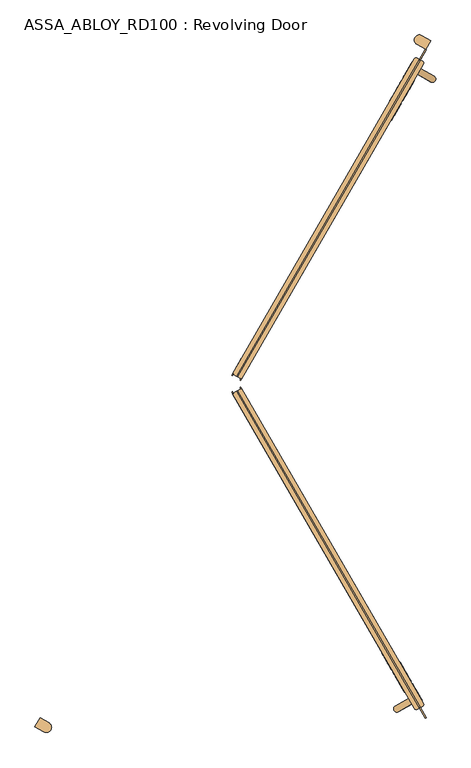
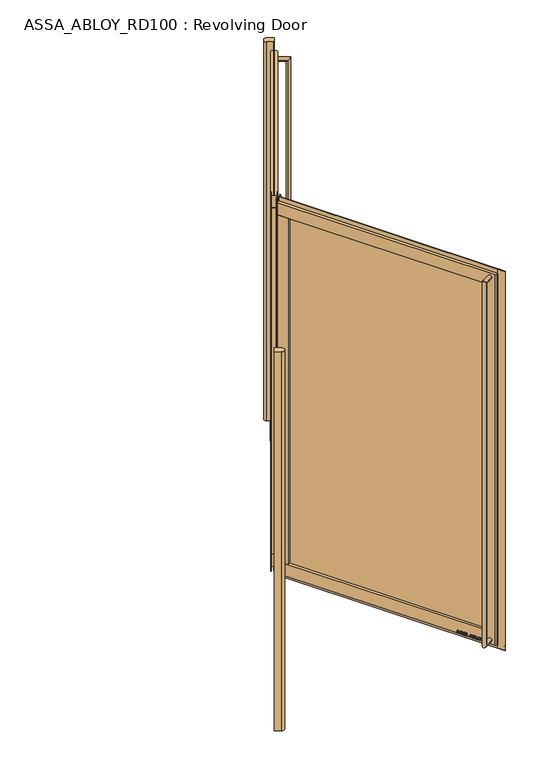
"""IFC4 building model written with IfcOpenShell, lengths in millimetres: door geometry, ASSA_ABLOY_RD100 : Revolving Door."""

from ifc_helpers import new_model, si_unit, point, frame, frame_2d, origin, origin_with_axes, origin_2d, place, context, project, spatial, polyline, circle_curve, ellipse_curve, trimmed, segment, composite_curve, outline, extrude, source, transform, mapped, element, save
from ifc_brep_helpers import plane_surface, cylinder_surface, advanced_brep


def assa_abloy_rd100_revolving_door_8107e352(model_context):
    return source(origin(), model_context, "Body", "SolidModel", [
        advanced_brep(
        [(-0.7310583, -38.7337699, 28.0), (33.9099578, -18.7337699, 28.0), (740.4099578, -1242.4276654, 28.0), (737.4817546, -1253.3558687, 28.0), (716.6971449, -1265.3558687, 28.0), (705.7689417, -1262.4276654, 28.0), (-0.7310583, -38.7337699, 110.0), (668.7689417, -1198.3417855, 110.0), (703.4099578, -1178.3417855, 110.0), (33.9099578, -18.7337699, 110.0), (33.9099578, -18.7337699, 2489.0), (-0.7310583, -38.7337699, 2489.0), (-0.7310583, -38.7337699, 2571.0), (33.9099578, -18.7337699, 2571.0), (703.4099578, -1178.3417855, 2489.0), (668.7689417, -1198.3417855, 2489.0), (737.4817546, -1253.3558687, 2571.0), (716.6971449, -1265.3558687, 2571.0), (705.7689417, -1262.4276654, 2571.0), (740.4099578, -1242.4276654, 2571.0)],
        [
            (0, 1),
            (1, 2),
            (2, 3, circle_curve(frame((733.4817546, -1246.4276654, 28.0), z_axis=(0.0, 0.0, -1.0), x_axis=(-0.8660254037844365, -0.5000000000000038, 0.0)), 8.0)),
            (3, 4),
            (4, 5, circle_curve(frame((712.6971449, -1258.4276654, 28.0), z_axis=(0.0, 0.0, -1.0), x_axis=(-0.8660254037844365, -0.5000000000000038, 0.0)), 8.0)),
            (5, 0),
            (6, 7),
            (7, 8),
            (8, 9),
            (9, 6),
            (10, 11),
            (11, 12),
            (12, 13),
            (13, 10),
            (10, 14),
            (14, 15),
            (15, 11),
            (7, 15),
            (14, 8),
            (16, 17),
            (17, 4),
            (3, 16),
            (17, 18, circle_curve(frame((712.6971449, -1258.4276654, 2571.0), z_axis=(0.0, 0.0, -1.0), x_axis=(-0.8660254037844365, -0.5000000000000038, 0.0)), 8.0)),
            (18, 5),
            (19, 16, circle_curve(frame((733.4817546, -1246.4276654, 2571.0), z_axis=(0.0, 0.0, -1.0), x_axis=(-0.8660254037844365, -0.5000000000000038, 0.0)), 8.0)),
            (2, 19),
            (6, 0),
            (18, 12),
            (1, 9),
            (13, 19),
        ],
        [
            plane_surface(frame((668.7689417, -1198.3417855, 28.0), z_axis=(0.0, 0.0, -1.0), x_axis=(-0.5000000000000038, 0.8660254037844365, 0.0))),
            plane_surface(frame((703.4099578, -1178.3417855, 110.0), z_axis=(0.0, 0.0, 1.0), x_axis=(-0.5000000000000038, 0.8660254037844365, 0.0))),
            plane_surface(frame((16.5894498, -28.7337699, 2571.0), z_axis=(-0.5000000000000038, 0.8660254037844365, 0.0), x_axis=(-0.8660254037844365, -0.5000000000000038, 0.0))),
            plane_surface(frame((33.9099578, -18.7337699, 2489.0), z_axis=(0.0, 0.0, -1.0), x_axis=(0.5000000000000038, -0.8660254037844365, 0.0))),
            plane_surface(frame((703.4099578, -1178.3417855, 2571.0), z_axis=(-0.5000000000000038, 0.8660254037844365, 0.0), x_axis=(0.0, 0.0, -1.0))),
            plane_surface(frame((716.6971449, -1265.3558687, 2571.0), z_axis=(0.5000000000000038, -0.8660254037844365, 0.0), x_axis=(0.0, 0.0, -1.0))),
            cylinder_surface(frame((712.6971449, -1258.4276654, 2571.0), z_axis=(0.0, 0.0, 1.0), x_axis=(-0.8660254037844365, -0.5000000000000038, 0.0)), 8.0),
            cylinder_surface(frame((733.4817546, -1246.4276654, 2571.0), z_axis=(0.0, 0.0, 1.0), x_axis=(-0.8660254037844365, -0.5000000000000038, 0.0)), 8.0),
            plane_surface(frame((668.7689417, -1198.3417855, 110.0), z_axis=(-0.8660254037844365, -0.5000000000000038, 0.0), x_axis=(-0.5000000000000038, 0.8660254037844365, 0.0))),
            plane_surface(frame((703.4099578, -1178.3417855, 28.0), z_axis=(0.8660254037844365, 0.5000000000000038, 0.0), x_axis=(-0.5000000000000038, 0.8660254037844365, 0.0))),
            plane_surface(frame((16.5894498, -28.7337699, 28.0), z_axis=(-0.5000000000000038, 0.8660254037844365, 0.0), x_axis=(-0.8660254037844365, -0.5000000000000038, 0.0))),
            plane_surface(frame((727.0894498, -1259.3558687, 2571.0), z_axis=(0.0, 0.0, 1.0), x_axis=(-0.8660254037844365, -0.5000000000000038, 0.0))),
        ],
        [
            (0, [[1, 2, 3, 4, 5, 6]]),
            (1, [[7, 8, 9, 10]]),
            (2, [[11, 12, 13, 14]]),
            (3, [[-11, 15, 16, 17]]),
            (4, [[-8, 18, -16, 19]]),
            (5, [[20, 21, -4, 22]]),
            (6, [[23, 24, -5, -21]]),
            (7, [[25, -22, -3, 26]]),
            (8, [[-7, 27, -6, -24, 28, -12, -17, -18]]),
            (9, [[29, -9, -19, -15, -14, 30, -26, -2]]),
            (10, [[-27, -10, -29, -1]]),
            (11, [[-28, -23, -20, -25, -30, -13]]),
        ],
    ),
        extrude(outline(polyline([(31.3118816, -20.2337699), (27.8118816, -14.1715921), (30.4099578, -12.6715921), (33.9099578, -18.7337699), (31.3118816, -20.2337699)])), origin_with_axes(), (0.0, 0.0, 1.0), 2600.0),
        extrude(outline(polyline([(68.9099578, -79.3555481), (34.2689417, -99.3555481), (-0.7310583, -38.7337699), (33.9099578, -18.7337699), (68.9099578, -79.3555481)])), frame((0.0, 0.0, 110.0), z_axis=(0.0, 0.0, 1.0), x_axis=(1.0, 0.0, 0.0)), (0.0, 0.0, 1.0), 2379.0),
        extrude(outline(polyline([(748.5739083, -1300.0680355), (725.5739083, -1260.2308669), (728.6049912, -1258.4808704), (751.6049912, -1298.318039), (748.5739083, -1300.0680355)])), origin_with_axes(), (0.0, 0.0, 1.0), 2600.0),
        extrude(outline(polyline([(748.5739083, -1300.0680355), (15.0739083, -29.6087681), (18.1049912, -27.8587716), (751.6049912, -1298.318039), (748.5739083, -1300.0680355)])), frame((0.0, 0.0, 2570.0), z_axis=(0.0, 0.0, 1.0), x_axis=(1.0, 0.0, 0.0)), (0.0, 0.0, 1.0), 30.0),
        extrude(outline(polyline([(-1.6329821, -31.1715921), (1.8670179, -37.2337699), (-0.7310583, -38.7337699), (-4.2310583, -32.6715921), (-1.6329821, -31.1715921)])), origin_with_axes(), (0.0, 0.0, 1.0), 2600.0),
        extrude(outline(polyline([(684.5739083, -1189.2167838), (50.0739083, -90.2305464), (53.1049912, -88.4805499), (687.6049912, -1187.4667873), (684.5739083, -1189.2167838)])), frame((0.0, 0.0, 110.0), z_axis=(0.0, 0.0, 1.0), x_axis=(1.0, 0.0, 0.0)), (0.0, 0.0, 1.0), 2379.0),
        extrude(outline(polyline([(748.5739083, -1300.0680355), (15.0739083, -29.6087681), (18.1049912, -27.8587716), (751.6049912, -1298.318039), (748.5739083, -1300.0680355)])), frame((0.0, 0.0, -2.0), z_axis=(0.0, 0.0, 1.0), x_axis=(1.0, 0.0, 0.0)), (0.0, 0.0, 1.0), 30.0),
        extrude(outline(polyline([(21.1919362, 0.0), (20.214336, -2.6529929), (14.2348715, -2.5853723), (11.2716326, -10.6269535), (15.8652681, -14.4554102), (14.8894584, -17.1035441), (-1.2354289, -3.3526834), (0.0, 0.0), (21.1919362, 0.0)]), holes=[polyline([(11.7626281, -2.5849674), (1.6611384, -2.5160752), (9.3848751, -9.0376682), (11.7626281, -2.5849674)])]), frame((728.7940369, -1222.3083001, 47.8848654), z_axis=(0.8660254037844429, 0.49999999999999256, 0.0), x_axis=(-0.17288098849125152, 0.29943865572958395, -0.9383222555567717)), (0.0, 0.0, 1.0), 2.0),
        extrude(outline(polyline([(3.5121291, 0.0), (5.4926863, -1.2764387), (6.787432, -3.3659463), (7.2092232, -6.1919012), (6.5093631, -9.6341389), (4.8247981, -13.2083906), (2.5145629, -16.157079), (-0.6567352, -15.0446471), (2.4447823, -12.1320668), (4.3562345, -8.76362), (4.8029446, -4.7524081), (2.9863484, -2.6252692), (0.9295188, -2.6144293), (-0.6628891, -4.2207408), (-1.8238571, -6.2006452), (-3.0893834, -8.4786224), (-6.2388815, -11.6844271), (-9.9996043, -11.7673438), (-13.1300796, -8.3561656), (-12.7977466, -2.5981571), (-11.0920114, 1.0208017), (-9.0699596, 3.7111349), (-6.0403681, 2.648411), (-8.71119, 0.0484616), (-10.6514742, -3.4882218), (-11.0208469, -7.16163), (-9.3614355, -9.1814982), (-7.3063201, -9.1972245), (-5.5118807, -7.3434952), (-4.250422, -5.1162244), (-2.8187321, -2.6852579), (0.0, 0.0), (3.5121291, 0.0)])), frame((716.9291416, -1201.7576986, 36.999973), z_axis=(0.866025403784443, 0.49999999999999256, 0.0), x_axis=(-0.16550355081008364, 0.2866605588361278, -0.9436282629706536)), (0.0, 0.0, 1.0), 2.0),
        extrude(outline(polyline([(3.5121291, 0.0), (5.4926863, -1.2764387), (6.787432, -3.3659463), (7.2092232, -6.1919012), (6.5093631, -9.6341389), (4.8247981, -13.2083906), (2.5145629, -16.157079), (-0.6567352, -15.0446471), (2.4447823, -12.1320668), (4.3562345, -8.7636201), (4.8029446, -4.7524081), (2.9863484, -2.6252692), (0.9295188, -2.6144293), (-0.6628891, -4.2207408), (-1.8238571, -6.2006452), (-3.0893834, -8.4786224), (-6.2388816, -11.6844271), (-9.9996043, -11.7673438), (-13.1300796, -8.3561656), (-12.7977466, -2.5981571), (-11.0920114, 1.0208017), (-9.0699596, 3.7111349), (-6.0403681, 2.648411), (-8.71119, 0.0484616), (-10.6514742, -3.4882218), (-11.0208469, -7.16163), (-9.3614355, -9.1814983), (-7.3063201, -9.1972245), (-5.5118807, -7.3434952), (-4.250422, -5.1162244), (-2.8187321, -2.6852579), (0.0, 0.0), (3.5121291, 0.0)])), frame((707.4838305, -1185.3979399, 36.999973), z_axis=(0.866025403784443, 0.49999999999999256, 0.0), x_axis=(-0.16550355081008364, 0.2866605588361278, -0.9436282629706536)), (0.0, 0.0, 1.0), 2.0),
        extrude(outline(polyline([(21.1919362, 0.0), (20.214336, -2.6529929), (14.2348715, -2.5853724), (11.2716326, -10.6269535), (15.8652681, -14.4554102), (14.8894584, -17.1035442), (-1.2354289, -3.3526834), (0.0, 0.0), (21.1919362, 0.0)]), holes=[polyline([(11.7626281, -2.5849675), (1.6611384, -2.5160752), (9.3848751, -9.0376682), (11.7626281, -2.5849675)])]), frame((700.4581036, -1173.229024, 47.8848654), z_axis=(0.8660254037844429, 0.49999999999999256, 0.0), x_axis=(-0.17288098849125152, 0.29943865572958395, -0.9383222555567717)), (0.0, 0.0, 1.0), 2.0),
        extrude(outline(polyline([(21.1919362, 0.0), (20.214336, -2.6529929), (14.2348715, -2.5853723), (11.2716326, -10.6269535), (15.8652681, -14.4554102), (14.8894584, -17.1035441), (-1.2354289, -3.3526834), (0.0, 0.0), (21.1919362, 0.0)]), holes=[polyline([(11.7626281, -2.5849674), (1.6611384, -2.5160752), (9.3848751, -9.0376682), (11.7626281, -2.5849674)])]), frame((686.2072834, -1148.5458793, 47.8848654), z_axis=(0.8660254037844429, 0.49999999999999256, 0.0), x_axis=(-0.17288098849125152, 0.29943865572958395, -0.9383222555567717)), (0.0, 0.0, 1.0), 2.0),
        extrude(outline(polyline([(3.6247797, 0.0), (5.9232413, -1.3859292), (7.2049821, -3.4426962), (7.5842828, -6.2202288), (6.8194358, -9.6251298), (4.5055294, -16.4081519), (-14.3144162, -9.9880648), (-12.3716711, -4.2930708), (-11.1479955, -1.1951534), (-9.8352433, 0.5920774), (-7.9241126, 1.6554025), (-5.7320771, 1.441087), (-3.7068838, -0.0321766), (-2.8147562, -2.4211002), (0.0, 0.0), (3.6247797, 0.0)]), holes=[polyline([(-5.2214253, -2.9241786), (-9.3653605, -2.9303687), (-10.1960736, -5.1008933), (-11.2627443, -8.2277488), (-5.9304264, -10.0467735), (-4.7734732, -6.6552624), (-5.2214253, -2.9241786)]), polyline([(2.8765907, -2.5461078), (0.9746905, -2.291247), (-0.5832315, -3.1932875), (-1.5099769, -4.5787396), (-2.3470909, -6.7279308), (-3.734766, -10.7957837), (3.1658807, -13.1498156), (4.3362091, -9.7190963), (5.1175975, -6.8751817), (5.1102534, -4.8838351), (4.3679308, -3.4351117), (2.8765907, -2.5461078)])]), frame((674.0148574, -1127.4279781, 37.561824), z_axis=(0.866025403784443, 0.49999999999999256, 0.0), x_axis=(-0.16143149534182683, 0.2796075518738682, -0.9464457138403681)), (0.0, 0.0, 1.0), 2.0),
        extrude(outline(polyline([(2.319901, 0.0), (2.319901, -12.5937481), (-17.5649644, -12.5937481), (-17.5649644, -9.9424327), (0.0, -9.9424327), (0.0, 0.0), (2.319901, 0.0)])), frame((665.3100504, -1112.3508101, 30.319901), z_axis=(0.866025403784443, 0.4999999999999925, 0.0), x_axis=(0.0, 0.0, -1.0)), (0.0, 0.0, 1.0), 2.0),
        extrude(outline(polyline([(3.4755123, 1e-07), (6.8343334, -1.6217536), (9.8417791, -4.8358203), (11.7934802, -8.7947163), (12.1283677, -12.475947), (10.9175762, -15.7640054), (8.2007387, -18.4707048), (4.7147757, -20.0502835), (1.2097864, -20.0486711), (-2.1257687, -18.4422905), (-5.1361656, -15.2239687), (-7.0812776, -11.3109182), (-7.4345587, -7.5668217), (-6.1998493, -4.2905332), (-3.5095376, -1.5864763), (0.0, 0.0), (3.4755123, 1e-07)]), holes=[polyline([(7.6631689, -6.3468237), (2.8864763, -2.494471), (-2.1788994, -3.4868578), (-4.8960977, -7.8921765), (-2.9575554, -13.7129653), (1.8513938, -17.5618518), (6.887121, -16.5585186), (9.5892894, -12.1951337), (7.6631689, -6.3468237)])]), frame((658.0331735, -1099.7468897, 47.5197917), z_axis=(0.866025403784443, 0.4999999999999925, 0.0), x_axis=(-0.41085457557085214, 0.711620999410877, -0.5699070721880538)), (0.0, 0.0, 1.0), 2.0),
        extrude(outline(polyline([(3.1691504, 0.0), (-4.1219669, -11.1645234), (-4.1219669, -19.8848654), (-6.7732823, -19.8848654), (-6.7732823, -11.4441543), (-14.0643996, 0.0), (-10.921141, 0.0), (-5.4320895, -8.8964059), (0.0, 0.0), (3.1691504, 0.0)])), frame((647.5068818, -1081.5148176, 47.8848654), z_axis=(0.866025403784443, 0.4999999999999925, 0.0), x_axis=(-0.4999999999999925, 0.866025403784443, 0.0)), (0.0, 0.0, 1.0), 2.0),
        extrude(outline(polyline([(-21.1919362, 0.0), (0.0, 0.0), (1.2354289, -3.3526833), (-14.8894584, -17.103544), (-15.8652682, -14.4554101), (-11.2716326, -10.6269535), (-14.2348715, -2.5853723), (-20.214336, -2.6529929), (-21.1919362, 0.0)]), holes=[polyline([(-11.7626281, -2.5849674), (-9.3848751, -9.0376682), (-1.6611384, -2.5160752), (-11.7626281, -2.5849674)])]), frame((584.3308678, -1056.0907515, 47.8848654), z_axis=(0.8660254037844398, 0.4999999999999981, 0.0), x_axis=(-0.17288098849125347, 0.2994386557295829, 0.9383222555567716)), (0.0, 0.0, 1.0), 2.0),
        extrude(outline(polyline([(-3.5121291, 0.0), (0.0, 0.0), (2.818732, -2.6852579), (4.250422, -5.1162244), (5.5118807, -7.3434952), (7.3063201, -9.1972245), (9.3614355, -9.1814982), (11.0208469, -7.16163), (10.6514742, -3.4882218), (8.71119, 0.0484616), (6.0403681, 2.6484111), (9.0699595, 3.711135), (11.0920114, 1.0208017), (12.7977466, -2.5981571), (13.1300796, -8.3561656), (9.9996043, -11.7673438), (6.2388815, -11.684427), (3.0893834, -8.4786223), (1.8238571, -6.2006452), (0.6628891, -4.2207408), (-0.9295188, -2.6144293), (-2.9863484, -2.6252692), (-4.8029446, -4.7524081), (-4.3562346, -8.7636199), (-2.4447823, -12.1320668), (0.6567352, -15.0446471), (-2.5145629, -16.157079), (-4.8247981, -13.2083906), (-6.5093631, -9.6341389), (-7.2092232, -6.1919011), (-6.787432, -3.3659463), (-5.4926863, -1.2764387), (-3.5121291, 0.0)])), frame((596.1957631, -1076.641353, 36.999973), z_axis=(0.8660254037844398, 0.49999999999999806, 0.0), x_axis=(-0.16550355081008547, 0.28666055883612673, 0.9436282629706536)), (0.0, 0.0, 1.0), 2.0),
        extrude(outline(polyline([(-3.5121291, 0.0), (0.0, 0.0), (2.8187321, -2.6852579), (4.250422, -5.1162244), (5.5118807, -7.3434952), (7.3063201, -9.1972245), (9.3614355, -9.1814982), (11.0208469, -7.16163), (10.6514742, -3.4882218), (8.71119, 0.0484616), (6.0403681, 2.6484111), (9.0699595, 3.711135), (11.0920114, 1.0208017), (12.7977466, -2.5981571), (13.1300796, -8.3561656), (9.9996043, -11.7673438), (6.2388815, -11.684427), (3.0893834, -8.4786223), (1.8238571, -6.2006452), (0.6628891, -4.2207408), (-0.9295188, -2.6144293), (-2.9863484, -2.6252692), (-4.8029446, -4.7524081), (-4.3562346, -8.76362), (-2.4447823, -12.1320668), (0.6567352, -15.0446471), (-2.5145629, -16.157079), (-4.8247981, -13.2083906), (-6.5093631, -9.6341389), (-7.2092232, -6.1919011), (-6.787432, -3.3659463), (-5.4926863, -1.2764387), (-3.5121291, 0.0)])), frame((605.6410742, -1093.0011117, 36.999973), z_axis=(0.8660254037844398, 0.49999999999999806, 0.0), x_axis=(-0.16550355081008547, 0.28666055883612673, 0.9436282629706536)), (0.0, 0.0, 1.0), 2.0),
        extrude(outline(polyline([(-21.1919362, 0.0), (0.0, 0.0), (1.2354289, -3.3526833), (-14.8894584, -17.1035441), (-15.8652682, -14.4554101), (-11.2716326, -10.6269535), (-14.2348715, -2.5853724), (-20.214336, -2.6529929), (-21.1919362, 0.0)]), holes=[polyline([(-11.7626281, -2.5849675), (-9.3848751, -9.0376682), (-1.6611384, -2.5160752), (-11.7626281, -2.5849675)])]), frame((612.6668011, -1105.1700276, 47.8848654), z_axis=(0.8660254037844398, 0.4999999999999981, 0.0), x_axis=(-0.17288098849125347, 0.2994386557295829, 0.9383222555567716)), (0.0, 0.0, 1.0), 2.0),
        extrude(outline(polyline([(-21.1919362, 0.0), (0.0, 0.0), (1.2354289, -3.3526833), (-14.8894584, -17.103544), (-15.8652682, -14.4554101), (-11.2716326, -10.6269535), (-14.2348715, -2.5853723), (-20.214336, -2.6529929), (-21.1919362, 0.0)]), holes=[polyline([(-11.7626281, -2.5849674), (-9.3848751, -9.0376682), (-1.6611384, -2.5160752), (-11.7626281, -2.5849674)])]), frame((626.9176213, -1129.8531723, 47.8848654), z_axis=(0.8660254037844398, 0.4999999999999981, 0.0), x_axis=(-0.17288098849125347, 0.2994386557295829, 0.9383222555567716)), (0.0, 0.0, 1.0), 2.0),
        extrude(outline(polyline([(-3.6247797, -1e-07), (0.0, 0.0), (2.8147562, -2.4211002), (3.7068839, -0.0321766), (5.7320771, 1.441087), (7.9241126, 1.6554025), (9.8352433, 0.5920774), (11.1479956, -1.1951535), (12.3716711, -4.2930708), (14.3144162, -9.9880649), (-4.5055294, -16.408152), (-6.8194358, -9.6251298), (-7.5842828, -6.2202288), (-7.204982, -3.4426963), (-5.9232413, -1.3859292), (-3.6247797, -1e-07)]), holes=[polyline([(5.2214253, -2.9241787), (4.7734732, -6.6552625), (5.9304264, -10.0467736), (11.2627443, -8.2277489), (10.1960736, -5.1008933), (9.3653605, -2.9303688), (5.2214253, -2.9241787)]), polyline([(-2.8765906, -2.5461079), (-4.3679308, -3.4351118), (-5.1102533, -4.8838352), (-5.1175974, -6.8751818), (-4.3362091, -9.7190964), (-3.1658807, -13.1498157), (3.7347661, -10.7957837), (2.347091, -6.7279309), (1.5099769, -4.5787397), (0.5832315, -3.1932876), (-0.9746905, -2.291247), (-2.8765906, -2.5461079)])]), frame((639.1100473, -1150.9710736, 37.561824), z_axis=(0.8660254037844397, 0.499999999999998, 0.0), x_axis=(-0.16143149534182863, 0.27960755187386716, 0.9464457138403681)), (0.0, 0.0, 1.0), 2.0),
        extrude(outline(polyline([(-2.319901, 0.0), (0.0, 0.0), (0.0, -9.9424327), (17.5649644, -9.9424327), (17.5649644, -12.5937481), (-2.319901, -12.5937481), (-2.319901, 0.0)])), frame((647.8148543, -1166.0482415, 30.319901), z_axis=(0.8660254037844398, 0.4999999999999981, 0.0), x_axis=(0.0, 0.0, 1.0)), (0.0, 0.0, 1.0), 2.0),
        extrude(outline(polyline([(-3.4755122, 0.0), (0.0, 0.0), (3.5095377, -1.5864764), (6.1998493, -4.2905332), (7.4345588, -7.5668217), (7.0812776, -11.3109182), (5.1361655, -15.2239686), (2.1257687, -18.4422905), (-1.2097864, -20.0486711), (-4.7147757, -20.0502836), (-8.2007386, -18.4707048), (-10.9175762, -15.7640054), (-12.1283676, -12.475947), (-11.7934802, -8.7947164), (-9.8417791, -4.8358203), (-6.8343334, -1.6217536), (-3.4755122, 0.0)]), holes=[polyline([(-7.6631689, -6.3468237), (-9.5892893, -12.1951337), (-6.8871209, -16.5585186), (-1.8513938, -17.5618518), (2.9575554, -13.7129653), (4.8960978, -7.8921765), (2.1788995, -3.4868579), (-2.8864763, -2.494471), (-7.6631689, -6.3468237)])]), frame((655.0917312, -1178.652162, 47.5197917), z_axis=(0.8660254037844397, 0.4999999999999981, 0.0), x_axis=(-0.41085457557085936, 0.7116209994108789, 0.5699070721880464)), (0.0, 0.0, 1.0), 2.0),
        extrude(outline(polyline([(-3.1691504, 0.0), (0.0, 0.0), (5.4320896, -8.8964059), (10.921141, 0.0), (14.0643996, 0.0), (6.7732824, -11.4441543), (6.7732824, -19.8848654), (4.121967, -19.8848654), (4.121967, -11.1645234), (-3.1691504, 0.0)])), frame((665.6180229, -1196.8842341, 47.8848654), z_axis=(0.8660254037844398, 0.4999999999999981, 0.0), x_axis=(-0.4999999999999981, 0.8660254037844398, 0.0)), (0.0, 0.0, 1.0), 2.0),
        advanced_brep(
        [(683.0189417, -1223.0235096, 2544.5), (695.5189417, -1244.6741447, 2544.5), (631.0574175, -1253.0235096, 2544.5), (643.5574175, -1274.6741447, 2544.5), (631.0574175, -1253.0235096, 55.0), (643.5574175, -1274.6741447, 55.0), (683.0189417, -1223.0235096, 55.0), (695.5189417, -1244.6741447, 55.0)],
        [
            (0, 1, circle_curve(frame((689.2689417, -1233.8488271, 2544.5), z_axis=(0.8660254037844365, 0.5000000000000038, 0.0), x_axis=(0.5000000000000038, -0.8660254037844365, 0.0)), 12.5)),
            (1, 0, circle_curve(frame((689.2689417, -1233.8488271, 2544.5), z_axis=(0.8660254037844365, 0.5000000000000038, 0.0), x_axis=(0.5000000000000038, -0.8660254037844365, 0.0)), 12.5)),
            (0, 2),
            (2, 3, ellipse_curve(frame((637.3074175, -1263.8488271, 2544.5), z_axis=(0.6123724356957935, 0.3535533905932754, 0.7071067811865475), x_axis=(0.6123724356957926, 0.3535533905932775, -0.7071067811865474)), 17.6776695, 12.5)),
            (3, 1),
            (3, 2, ellipse_curve(frame((637.3074175, -1263.8488271, 2544.5), z_axis=(0.6123724356957935, 0.3535533905932754, 0.7071067811865475), x_axis=(0.6123724356957926, 0.3535533905932775, -0.7071067811865474)), 17.6776695, 12.5)),
            (2, 4),
            (4, 5, ellipse_curve(frame((637.3074175, -1263.8488271, 55.0), z_axis=(-0.6123724356957924, -0.3535533905932774, 0.7071067811865475), x_axis=(0.6123724356957934, 0.3535533905932753, 0.7071067811865476)), 17.6776695, 12.5)),
            (5, 3),
            (5, 4, ellipse_curve(frame((637.3074175, -1263.8488271, 55.0), z_axis=(-0.6123724356957924, -0.3535533905932774, 0.7071067811865475), x_axis=(0.6123724356957934, 0.3535533905932753, 0.7071067811865476)), 17.6776695, 12.5)),
            (6, 7, circle_curve(frame((689.2689417, -1233.8488271, 55.0), z_axis=(0.8660254037844365, 0.5000000000000038, 0.0), x_axis=(0.5000000000000038, -0.8660254037844365, 0.0)), 12.5)),
            (7, 6, circle_curve(frame((689.2689417, -1233.8488271, 55.0), z_axis=(0.8660254037844365, 0.5000000000000038, 0.0), x_axis=(0.5000000000000038, -0.8660254037844365, 0.0)), 12.5)),
            (4, 6),
            (7, 5),
        ],
        [
            plane_surface(frame((689.2689417, -1233.8488271, 2544.5), z_axis=(0.8660254037844365, 0.5000000000000038, 0.0), x_axis=(0.5000000000000038, -0.8660254037844365, 0.0))),
            cylinder_surface(frame((689.2689417, -1233.8488271, 2544.5), z_axis=(0.8660254037844365, 0.5000000000000038, 0.0), x_axis=(0.5000000000000038, -0.8660254037844365, 0.0)), 12.5),
            cylinder_surface(frame((637.3074175, -1263.8488271, 2544.5), z_axis=(0.0, 0.0, 1.0), x_axis=(0.5000000000000038, -0.8660254037844365, 0.0)), 12.5),
            plane_surface(frame((689.2689417, -1233.8488271, 55.0), z_axis=(0.8660254037844365, 0.5000000000000038, 0.0), x_axis=(0.5000000000000038, -0.8660254037844365, 0.0))),
            cylinder_surface(frame((637.3074175, -1263.8488271, 55.0), z_axis=(-0.8660254037844365, -0.5000000000000038, 0.0), x_axis=(0.5000000000000038, -0.8660254037844365, 0.0)), 12.5),
        ],
        [
            (0, [[1, 2]]),
            (1, [[-1, 3, 4, 5]]),
            (1, [[-2, -5, 6, -3]]),
            (2, [[-4, 7, 8, 9]]),
            (2, [[-6, -9, 10, -7]]),
            (3, [[11, 12]]),
            (4, [[-8, 13, -12, 14]]),
            (4, [[-10, -14, -11, -13]]),
        ],
    ),
        extrude(outline(composite_curve([segment(trimmed(circle_curve(origin_2d(), 1500.0), [point((-750.0, -1299.0381057))], [point((-715.0922698, -1318.5761433))], True, "CARTESIAN"), True, "CONTINUOUS"), segment(trimmed(circle_curve(frame_2d((-725.5459259, -1335.642735)), 20.0136823), [point((-715.0922698, -1318.5761433))], [point((-735.0991998, -1353.2291626))], False, "CARTESIAN"), True, "CONTINUOUS"), segment(trimmed(circle_curve(origin_2d(), 1540.0), [point((-735.0991998, -1353.2291626))], [point((-770.0, -1333.6791218))], False, "CARTESIAN"), True, "CONTINUOUS"), segment(polyline([(-770.0, -1333.6791218), (-750.0, -1299.0381057)]), True, "CONTINUOUS")], self_intersect=False)), origin_with_axes(), (0.0, 0.0, 1.0), 2600.0),
        extrude(outline(composite_curve([segment(trimmed(circle_curve(origin_2d(), 1500.0), [point((750.0, 1299.0381057))], [point((715.0922698, 1318.5761433))], True, "CARTESIAN"), True, "CONTINUOUS"), segment(trimmed(circle_curve(frame_2d((725.5459259, 1335.642735)), 20.0136823), [point((715.0922698, 1318.5761433))], [point((735.0991998, 1353.2291626))], False, "CARTESIAN"), True, "CONTINUOUS"), segment(trimmed(circle_curve(origin_2d(), 1540.0), [point((735.0991998, 1353.2291626))], [point((770.0, 1333.6791218))], False, "CARTESIAN"), True, "CONTINUOUS"), segment(polyline([(770.0, 1333.6791218), (750.0, 1299.0381057)]), True, "CONTINUOUS")], self_intersect=False)), origin_with_axes(), (0.0, 0.0, 1.0), 2600.0),
        advanced_brep(
        [(33.8205081, 18.5788383, 28.0), (-0.8205081, 38.5788383, 28.0), (705.6794919, 1262.2727339, 28.0), (716.6076952, 1265.2009371, 28.0), (737.3923048, 1253.2009371, 28.0), (740.3205081, 1242.2727339, 28.0), (33.8205081, 18.5788383, 110.0), (703.3205081, 1178.186854, 110.0), (668.6794919, 1198.186854, 110.0), (-0.8205081, 38.5788383, 110.0), (-0.8205081, 38.5788383, 2489.0), (33.8205081, 18.5788383, 2489.0), (33.8205081, 18.5788383, 2571.0), (-0.8205081, 38.5788383, 2571.0), (668.6794919, 1198.186854, 2489.0), (703.3205081, 1178.186854, 2489.0), (716.6076952, 1265.2009371, 2571.0), (737.3923048, 1253.2009371, 2571.0), (740.3205081, 1242.2727339, 2571.0), (705.6794919, 1262.2727339, 2571.0)],
        [
            (0, 1),
            (1, 2),
            (2, 3, circle_curve(frame((712.6076952, 1258.2727339, 28.0), z_axis=(0.0, 0.0, -1.0), x_axis=(0.8660254037844427, -0.4999999999999929, 0.0)), 8.0)),
            (3, 4),
            (4, 5, circle_curve(frame((733.3923048, 1246.2727339, 28.0), z_axis=(0.0, 0.0, -1.0), x_axis=(0.8660254037844427, -0.4999999999999929, 0.0)), 8.0)),
            (5, 0),
            (6, 7),
            (7, 8),
            (8, 9),
            (9, 6),
            (10, 11),
            (11, 12),
            (12, 13),
            (13, 10),
            (10, 14),
            (14, 15),
            (15, 11),
            (7, 15),
            (14, 8),
            (16, 17),
            (17, 4),
            (3, 16),
            (17, 18, circle_curve(frame((733.3923048, 1246.2727339, 2571.0), z_axis=(0.0, 0.0, -1.0), x_axis=(0.8660254037844427, -0.4999999999999929, 0.0)), 8.0)),
            (18, 5),
            (19, 16, circle_curve(frame((712.6076952, 1258.2727339, 2571.0), z_axis=(0.0, 0.0, -1.0), x_axis=(0.8660254037844427, -0.4999999999999929, 0.0)), 8.0)),
            (2, 19),
            (6, 0),
            (18, 12),
            (1, 9),
            (13, 19),
        ],
        [
            plane_surface(frame((703.3205081, 1178.186854, 28.0), z_axis=(0.0, 0.0, -1.0000000000000002), x_axis=(-0.49999999999999295, -0.8660254037844428, 0.0))),
            plane_surface(frame((668.6794919, 1198.186854, 110.0), z_axis=(0.0, 0.0, 1.0000000000000002), x_axis=(-0.49999999999999295, -0.8660254037844428, 0.0))),
            plane_surface(frame((16.5, 28.5788383, 2571.0), z_axis=(-0.49999999999999295, -0.8660254037844428, 0.0), x_axis=(0.8660254037844428, -0.49999999999999295, 0.0))),
            plane_surface(frame((-0.8205081, 38.5788383, 2489.0), z_axis=(0.0, 0.0, -1.0000000000000002), x_axis=(0.49999999999999295, 0.8660254037844428, 0.0))),
            plane_surface(frame((668.6794919, 1198.186854, 2571.0), z_axis=(-0.49999999999999295, -0.8660254037844428, 0.0), x_axis=(0.0, 0.0, -1.0))),
            plane_surface(frame((737.3923048, 1253.2009371, 2571.0), z_axis=(0.49999999999999295, 0.8660254037844428, 0.0), x_axis=(0.0, 0.0, -1.0))),
            cylinder_surface(frame((733.3923048, 1246.2727339, 2571.0), z_axis=(0.0, 0.0, 1.0), x_axis=(0.8660254037844427, -0.4999999999999929, 0.0)), 8.0),
            cylinder_surface(frame((712.6076952, 1258.2727339, 2571.0), z_axis=(0.0, 0.0, 1.0), x_axis=(0.8660254037844427, -0.4999999999999929, 0.0)), 8.0),
            plane_surface(frame((703.3205081, 1178.186854, 110.0), z_axis=(0.8660254037844428, -0.49999999999999295, 0.0), x_axis=(-0.49999999999999295, -0.8660254037844428, 0.0))),
            plane_surface(frame((668.6794919, 1198.186854, 28.0), z_axis=(-0.8660254037844428, 0.49999999999999295, 0.0), x_axis=(-0.49999999999999295, -0.8660254037844428, 0.0))),
            plane_surface(frame((16.5, 28.5788383, 28.0), z_axis=(-0.49999999999999295, -0.8660254037844428, 0.0), x_axis=(0.8660254037844428, -0.49999999999999295, 0.0))),
            plane_surface(frame((727.0, 1259.2009371, 2571.0), z_axis=(0.0, 0.0, 1.0000000000000002), x_axis=(0.8660254037844428, -0.49999999999999295, 0.0))),
        ],
        [
            (0, [[1, 2, 3, 4, 5, 6]]),
            (1, [[7, 8, 9, 10]]),
            (2, [[11, 12, 13, 14]]),
            (3, [[-11, 15, 16, 17]]),
            (4, [[-8, 18, -16, 19]]),
            (5, [[20, 21, -4, 22]]),
            (6, [[23, 24, -5, -21]]),
            (7, [[25, -22, -3, 26]]),
            (8, [[-7, 27, -6, -24, 28, -12, -17, -18]]),
            (9, [[29, -9, -19, -15, -14, 30, -26, -2]]),
            (10, [[-27, -10, -29, -1]]),
            (11, [[-28, -23, -20, -25, -30, -13]]),
        ],
    ),
        extrude(outline(polyline([(1.7775681, 37.0788383), (-1.7224319, 31.0166605), (-4.3205081, 32.5166605), (-0.8205081, 38.5788383), (1.7775681, 37.0788383)])), origin_with_axes(), (0.0, 0.0, 1.0), 2600.0),
        extrude(outline(polyline([(34.1794919, 99.2006166), (68.8205081, 79.2006166), (33.8205081, 18.5788383), (-0.8205081, 38.5788383), (34.1794919, 99.2006166)])), frame((0.0, 0.0, 110.0), z_axis=(0.0, 0.0, 1.0), x_axis=(1.0, 0.0, 0.0)), (0.0, 0.0, 1.0), 2379.0),
        extrude(outline(polyline([(751.5155414, 1298.1631074), (728.5155414, 1258.3259389), (725.4844586, 1260.0759354), (748.4844586, 1299.9131039), (751.5155414, 1298.1631074)])), origin_with_axes(), (0.0, 0.0, 1.0), 2600.0),
        extrude(outline(polyline([(751.5155414, 1298.1631074), (18.0155414, 27.7038401), (14.9844586, 29.4538366), (748.4844586, 1299.9131039), (751.5155414, 1298.1631074)])), frame((0.0, 0.0, 2570.0), z_axis=(0.0, 0.0, 1.0), x_axis=(1.0, 0.0, 0.0)), (0.0, 0.0, 1.0), 30.0),
        extrude(outline(polyline([(27.7224319, 14.0166605), (31.2224319, 20.0788383), (33.8205081, 18.5788383), (30.3205081, 12.5166605), (27.7224319, 14.0166605)])), origin_with_axes(), (0.0, 0.0, 1.0), 2600.0),
        extrude(outline(polyline([(687.5155414, 1187.3118557), (53.0155414, 88.3256183), (49.9844586, 90.0756148), (684.4844586, 1189.0618522), (687.5155414, 1187.3118557)])), frame((0.0, 0.0, 110.0), z_axis=(0.0, 0.0, 1.0), x_axis=(1.0, 0.0, 0.0)), (0.0, 0.0, 1.0), 2379.0),
        extrude(outline(polyline([(751.5155414, 1298.1631074), (18.0155414, 27.7038401), (14.9844586, 29.4538366), (748.4844586, 1299.9131039), (751.5155414, 1298.1631074)])), frame((0.0, 0.0, -2.0), z_axis=(0.0, 0.0, 1.0), x_axis=(1.0, 0.0, 0.0)), (0.0, 0.0, 1.0), 30.0),
        extrude(outline(polyline([(21.1919363, 1e-07), (20.214336, -2.6529929), (14.2348715, -2.5853724), (11.2716326, -10.6269535), (15.8652682, -14.4554101), (14.8894584, -17.1035441), (-1.2354289, -3.3526833), (0.0, 0.0), (21.1919363, 1e-07)]), holes=[polyline([(11.7626281, -2.5849674), (1.6611384, -2.5160752), (9.3848751, -9.0376682), (11.7626281, -2.5849674)])]), frame((694.0635709, 1242.1533686, 47.8848654), z_axis=(-0.8660254037844363, 0.5000000000000041, 0.0), x_axis=(-0.17288098849125552, -0.2994386557295816, -0.9383222555567717)), (0.0, 0.0, 1.0), 2.0),
        extrude(outline(polyline([(3.5121291, 0.0), (5.4926863, -1.2764387), (6.787432, -3.3659463), (7.2092232, -6.1919012), (6.5093631, -9.6341389), (4.8247981, -13.2083906), (2.5145629, -16.1570791), (-0.6567353, -15.0446472), (2.4447822, -12.1320668), (4.3562346, -8.76362), (4.8029446, -4.7524081), (2.9863484, -2.6252693), (0.9295188, -2.6144294), (-0.6628891, -4.2207408), (-1.8238571, -6.2006452), (-3.0893834, -8.4786223), (-6.2388815, -11.6844271), (-9.9996043, -11.7673439), (-13.1300796, -8.3561656), (-12.7977466, -2.5981572), (-11.0920114, 1.0208016), (-9.0699595, 3.711135), (-6.0403681, 2.6484111), (-8.71119, 0.0484617), (-10.6514742, -3.4882218), (-11.0208469, -7.1616301), (-9.3614355, -9.1814983), (-7.3063201, -9.1972246), (-5.5118808, -7.3434952), (-4.250422, -5.1162245), (-2.8187321, -2.6852579), (0.0, 0.0), (3.5121291, 0.0)])), frame((682.1986756, 1221.6027671, 36.999973), z_axis=(-0.8660254037844363, 0.5000000000000042, 0.0), x_axis=(-0.16550355081008747, -0.2866605588361255, -0.9436282629706536)), (0.0, 0.0, 1.0), 2.0),
        extrude(outline(polyline([(3.5121291, 0.0), (5.4926863, -1.2764387), (6.787432, -3.3659463), (7.2092232, -6.1919011), (6.5093631, -9.6341389), (4.8247981, -13.2083905), (2.5145629, -16.157079), (-0.6567352, -15.0446471), (2.4447823, -12.1320668), (4.3562346, -8.7636199), (4.8029446, -4.752408), (2.9863484, -2.6252692), (0.9295188, -2.6144293), (-0.6628891, -4.2207407), (-1.8238571, -6.2006451), (-3.0893834, -8.4786223), (-6.2388815, -11.684427), (-9.9996043, -11.7673438), (-13.1300796, -8.3561655), (-12.7977466, -2.5981571), (-11.0920114, 1.0208017), (-9.0699595, 3.711135), (-6.040368, 2.6484112), (-8.71119, 0.0484617), (-10.6514742, -3.4882218), (-11.0208469, -7.16163), (-9.3614355, -9.1814982), (-7.3063201, -9.1972245), (-5.5118807, -7.3434952), (-4.250422, -5.1162244), (-2.818732, -2.6852579), (0.0, 0.0), (3.5121291, 0.0)])), frame((672.7533646, 1205.2430084, 36.999973), z_axis=(-0.8660254037844363, 0.5000000000000042, 0.0), x_axis=(-0.16550355081008747, -0.2866605588361255, -0.9436282629706536)), (0.0, 0.0, 1.0), 2.0),
        extrude(outline(polyline([(21.1919363, 1e-07), (20.214336, -2.6529928), (14.2348715, -2.5853723), (11.2716326, -10.6269535), (15.8652682, -14.4554101), (14.8894584, -17.103544), (-1.2354289, -3.3526833), (0.0, 0.0), (21.1919363, 1e-07)]), holes=[polyline([(11.7626281, -2.5849674), (1.6611384, -2.5160752), (9.3848751, -9.0376681), (11.7626281, -2.5849674)])]), frame((665.7276377, 1193.0740925, 47.8848654), z_axis=(-0.8660254037844363, 0.5000000000000041, 0.0), x_axis=(-0.17288098849125552, -0.2994386557295816, -0.9383222555567717)), (0.0, 0.0, 1.0), 2.0),
        extrude(outline(polyline([(21.1919363, 1e-07), (20.214336, -2.6529929), (14.2348715, -2.5853724), (11.2716326, -10.6269535), (15.8652682, -14.4554101), (14.8894584, -17.1035441), (-1.2354289, -3.3526833), (0.0, 0.0), (21.1919363, 1e-07)]), holes=[polyline([(11.7626281, -2.5849674), (1.6611384, -2.5160752), (9.3848751, -9.0376682), (11.7626281, -2.5849674)])]), frame((651.4768174, 1168.3909478, 47.8848654), z_axis=(-0.8660254037844363, 0.5000000000000041, 0.0), x_axis=(-0.17288098849125552, -0.2994386557295816, -0.9383222555567717)), (0.0, 0.0, 1.0), 2.0),
        extrude(outline(polyline([(3.6247797, -1e-07), (5.9232413, -1.3859292), (7.204982, -3.4426963), (7.5842828, -6.2202288), (6.8194358, -9.6251298), (4.5055294, -16.4081518), (-14.3144162, -9.9880647), (-12.3716711, -4.2930708), (-11.1479956, -1.1951535), (-9.8352432, 0.5920774), (-7.9241126, 1.6554025), (-5.7320771, 1.441087), (-3.7068839, -0.0321766), (-2.8147562, -2.4211002), (0.0, 0.0), (3.6247797, -1e-07)]), holes=[polyline([(-5.2214253, -2.9241787), (-9.3653605, -2.9303688), (-10.1960736, -5.1008933), (-11.2627443, -8.2277488), (-5.9304264, -10.0467735), (-4.7734732, -6.6552624), (-5.2214253, -2.9241787)]), polyline([(2.8765907, -2.5461078), (0.9746905, -2.291247), (-0.5832315, -3.1932876), (-1.5099769, -4.5787397), (-2.347091, -6.7279308), (-3.734766, -10.7957837), (3.1658807, -13.1498156), (4.3362091, -9.7190964), (5.1175974, -6.8751818), (5.1102534, -4.8838351), (4.3679308, -3.4351118), (2.8765907, -2.5461078)])]), frame((639.2843915, 1147.2730465, 37.561824), z_axis=(-0.8660254037844363, 0.5000000000000042, 0.0), x_axis=(-0.16143149534183057, -0.279607551873866, -0.9464457138403681)), (0.0, 0.0, 1.0), 2.0),
        extrude(outline(polyline([(2.319901, 0.0), (2.319901, -12.593748), (-17.5649644, -12.593748), (-17.5649644, -9.9424327), (0.0, -9.9424327), (0.0, 0.0), (2.319901, 0.0)])), frame((630.5795845, 1132.1958786, 30.319901), z_axis=(-0.8660254037844363, 0.5000000000000042, 0.0), x_axis=(0.0, 0.0, -1.0)), (0.0, 0.0, 1.0), 2.0),
        extrude(outline(polyline([(3.4755122, 0.0), (6.8343334, -1.6217536), (9.8417791, -4.8358203), (11.7934802, -8.7947164), (12.1283676, -12.475947), (10.9175762, -15.7640054), (8.2007387, -18.4707048), (4.7147757, -20.0502836), (1.2097864, -20.048671), (-2.1257687, -18.4422905), (-5.1361655, -15.2239686), (-7.0812776, -11.3109182), (-7.4345587, -7.5668217), (-6.1998493, -4.2905332), (-3.5095376, -1.5864763), (0.0, 0.0), (3.4755122, 0.0)]), holes=[polyline([(7.6631689, -6.3468237), (2.8864763, -2.494471), (-2.1788995, -3.4868579), (-4.8960978, -7.8921765), (-2.9575554, -13.7129652), (1.8513938, -17.5618518), (6.8871209, -16.5585186), (9.5892893, -12.1951337), (7.6631689, -6.3468237)])]), frame((623.3027076, 1119.5919581, 47.5197917), z_axis=(-0.8660254037844363, 0.5000000000000042, 0.0), x_axis=(-0.41085457557086175, -0.7116209994108714, -0.5699070721880538)), (0.0, 0.0, 1.0), 2.0),
        extrude(outline(polyline([(3.1691504, 0.0), (-4.1219669, -11.1645234), (-4.1219669, -19.8848654), (-6.7732822, -19.8848654), (-6.7732822, -11.4441543), (-14.0643996, 0.0), (-10.921141, 0.0), (-5.4320895, -8.8964059), (0.0, 0.0), (3.1691504, 0.0)])), frame((612.7764159, 1101.359886, 47.8848654), z_axis=(-0.8660254037844363, 0.5000000000000042, 0.0), x_axis=(-0.5000000000000042, -0.8660254037844363, 0.0)), (0.0, 0.0, 1.0), 2.0),
        extrude(outline(polyline([(-21.1919362, 0.0), (0.0, 0.0), (1.2354289, -3.3526834), (-14.8894584, -17.1035441), (-15.8652681, -14.4554102), (-11.2716326, -10.6269536), (-14.2348715, -2.5853723), (-20.214336, -2.6529929), (-21.1919362, 0.0)]), holes=[polyline([(-11.7626281, -2.5849674), (-9.3848751, -9.0376682), (-1.6611384, -2.5160753), (-11.7626281, -2.5849674)])]), frame((622.3465358, 1033.93582, 47.8848654), z_axis=(-0.8660254037844395, 0.49999999999999867, 0.0), x_axis=(-0.17288098849125363, -0.2994386557295828, 0.9383222555567716)), (0.0, 0.0, 1.0), 2.0),
        extrude(outline(polyline([(-3.5121291, -1e-07), (0.0, 0.0), (2.8187321, -2.6852579), (4.250422, -5.1162244), (5.5118808, -7.3434953), (7.3063201, -9.1972246), (9.3614355, -9.1814983), (11.0208469, -7.16163), (10.6514742, -3.4882218), (8.71119, 0.0484616), (6.0403681, 2.648411), (9.0699596, 3.7111349), (11.0920114, 1.0208017), (12.7977466, -2.5981572), (13.1300796, -8.3561656), (9.9996044, -11.7673439), (6.2388815, -11.6844271), (3.0893834, -8.4786224), (1.8238571, -6.2006452), (0.6628891, -4.2207408), (-0.9295188, -2.6144293), (-2.9863484, -2.6252692), (-4.8029446, -4.7524081), (-4.3562345, -8.7636201), (-2.4447822, -12.1320669), (0.6567353, -15.0446472), (-2.5145629, -16.1570791), (-4.8247981, -13.2083906), (-6.5093631, -9.6341389), (-7.2092232, -6.1919012), (-6.787432, -3.3659463), (-5.4926863, -1.2764388), (-3.5121291, -1e-07)])), frame((634.2114311, 1054.4864215, 36.999973), z_axis=(-0.8660254037844394, 0.4999999999999986, 0.0), x_axis=(-0.16550355081008566, -0.2866605588361266, 0.9436282629706537)), (0.0, 0.0, 1.0), 2.0),
        extrude(outline(polyline([(-3.5121291, -1e-07), (0.0, 0.0), (2.8187321, -2.6852579), (4.250422, -5.1162244), (5.5118808, -7.3434953), (7.3063201, -9.1972246), (9.3614355, -9.1814983), (11.0208469, -7.16163), (10.6514742, -3.4882218), (8.71119, 0.0484616), (6.0403681, 2.648411), (9.0699596, 3.7111349), (11.0920114, 1.0208017), (12.7977466, -2.5981572), (13.1300796, -8.3561656), (9.9996044, -11.7673439), (6.2388816, -11.6844271), (3.0893834, -8.4786224), (1.8238571, -6.2006452), (0.6628891, -4.2207408), (-0.9295188, -2.6144293), (-2.9863484, -2.6252692), (-4.8029446, -4.7524081), (-4.3562345, -8.7636201), (-2.4447822, -12.1320669), (0.6567353, -15.0446472), (-2.5145629, -16.1570791), (-4.8247981, -13.2083906), (-6.5093631, -9.6341389), (-7.2092232, -6.1919012), (-6.787432, -3.3659463), (-5.4926863, -1.2764388), (-3.5121291, -1e-07)])), frame((643.6567422, 1070.8461802, 36.999973), z_axis=(-0.8660254037844394, 0.4999999999999986, 0.0), x_axis=(-0.16550355081008566, -0.2866605588361266, 0.9436282629706537)), (0.0, 0.0, 1.0), 2.0),
        extrude(outline(polyline([(-21.1919362, 0.0), (0.0, 0.0), (1.2354289, -3.3526834), (-14.8894584, -17.1035442), (-15.8652681, -14.4554102), (-11.2716326, -10.6269536), (-14.2348715, -2.5853724), (-20.214336, -2.6529929), (-21.1919362, 0.0)]), holes=[polyline([(-11.7626281, -2.5849675), (-9.3848751, -9.0376682), (-1.6611384, -2.5160753), (-11.7626281, -2.5849675)])]), frame((650.6824691, 1083.0150961, 47.8848654), z_axis=(-0.8660254037844395, 0.49999999999999867, 0.0), x_axis=(-0.17288098849125363, -0.2994386557295828, 0.9383222555567716)), (0.0, 0.0, 1.0), 2.0),
        extrude(outline(polyline([(-21.1919362, 0.0), (0.0, 0.0), (1.2354289, -3.3526834), (-14.8894584, -17.1035441), (-15.8652681, -14.4554102), (-11.2716326, -10.6269536), (-14.2348715, -2.5853723), (-20.214336, -2.6529929), (-21.1919362, 0.0)]), holes=[polyline([(-11.7626281, -2.5849674), (-9.3848751, -9.0376682), (-1.6611384, -2.5160753), (-11.7626281, -2.5849674)])]), frame((664.9332893, 1107.6982408, 47.8848654), z_axis=(-0.8660254037844395, 0.49999999999999867, 0.0), x_axis=(-0.17288098849125363, -0.2994386557295828, 0.9383222555567716)), (0.0, 0.0, 1.0), 2.0),
        extrude(outline(polyline([(-3.6247797, 0.0), (0.0, 0.0), (2.8147562, -2.4211002), (3.7068839, -0.0321766), (5.7320771, 1.441087), (7.9241126, 1.6554025), (9.8352433, 0.5920774), (11.1479955, -1.1951534), (12.3716711, -4.2930708), (14.3144162, -9.9880648), (-4.5055294, -16.4081519), (-6.8194358, -9.6251298), (-7.5842828, -6.2202288), (-7.2049821, -3.4426962), (-5.9232413, -1.3859292), (-3.6247797, 0.0)]), holes=[polyline([(5.2214253, -2.9241787), (4.7734732, -6.6552624), (5.9304264, -10.0467735), (11.2627443, -8.2277488), (10.1960736, -5.1008933), (9.3653605, -2.9303687), (5.2214253, -2.9241787)]), polyline([(-2.8765907, -2.5461078), (-4.3679308, -3.4351117), (-5.1102534, -4.8838351), (-5.1175975, -6.8751817), (-4.3362091, -9.7190964), (-3.1658807, -13.1498156), (3.734766, -10.7957837), (2.347091, -6.7279309), (1.5099769, -4.5787396), (0.5832315, -3.1932875), (-0.9746905, -2.291247), (-2.8765907, -2.5461078)])]), frame((677.1257153, 1128.816142, 37.561824), z_axis=(-0.8660254037844395, 0.49999999999999867, 0.0), x_axis=(-0.16143149534182877, -0.27960755187386704, 0.9464457138403681)), (0.0, 0.0, 1.0), 2.0),
        extrude(outline(polyline([(-2.319901, 0.0), (0.0, 0.0), (0.0, -9.9424327), (17.5649644, -9.9424327), (17.5649644, -12.5937481), (-2.319901, -12.5937481), (-2.319901, 0.0)])), frame((685.8305223, 1143.89331, 30.319901), z_axis=(-0.8660254037844395, 0.4999999999999986, 0.0), x_axis=(0.0, 0.0, 1.0)), (0.0, 0.0, 1.0), 2.0),
        extrude(outline(polyline([(-3.4755122, 0.0), (0.0, 0.0), (3.5095376, -1.5864763), (6.1998493, -4.2905332), (7.4345587, -7.5668217), (7.0812776, -11.3109182), (5.1361656, -15.2239687), (2.1257687, -18.4422905), (-1.2097864, -20.0486711), (-4.7147757, -20.0502835), (-8.2007387, -18.4707048), (-10.9175762, -15.7640054), (-12.1283676, -12.475947), (-11.7934802, -8.7947164), (-9.8417791, -4.8358203), (-6.8343334, -1.6217536), (-3.4755122, 0.0)]), holes=[polyline([(-7.6631689, -6.3468237), (-9.5892894, -12.1951337), (-6.8871209, -16.5585186), (-1.8513938, -17.5618518), (2.9575554, -13.7129653), (4.8960978, -7.8921765), (2.1788995, -3.4868579), (-2.8864763, -2.494471), (-7.6631689, -6.3468237)])]), frame((693.1073992, 1156.4972304, 47.5197917), z_axis=(-0.8660254037844395, 0.49999999999999867, 0.0), x_axis=(-0.41085457557085975, -0.7116209994108786, 0.5699070721880464)), (0.0, 0.0, 1.0), 2.0),
        extrude(outline(polyline([(-3.1691504, 0.0), (0.0, 0.0), (5.4320895, -8.8964059), (10.921141, 0.0), (14.0643996, 0.0), (6.7732823, -11.4441543), (6.7732823, -19.8848654), (4.1219669, -19.8848654), (4.1219669, -11.1645234), (-3.1691504, 0.0)])), frame((703.6336909, 1174.7293025, 47.8848654), z_axis=(-0.8660254037844395, 0.4999999999999986, 0.0), x_axis=(-0.4999999999999986, -0.8660254037844395, 0.0)), (0.0, 0.0, 1.0), 2.0),
        advanced_brep(
        [(717.5705081, 1202.868578, 2544.5), (730.0705081, 1224.5192131, 2544.5), (769.5320323, 1172.868578, 2544.5), (782.0320323, 1194.5192131, 2544.5), (769.5320323, 1172.868578, 55.0), (782.0320323, 1194.5192131, 55.0), (717.5705081, 1202.868578, 55.0), (730.0705081, 1224.5192131, 55.0)],
        [
            (0, 1, circle_curve(frame((723.8205081, 1213.6938955, 2544.5), z_axis=(-0.8660254037844429, 0.499999999999993, 0.0), x_axis=(0.4999999999999929, 0.8660254037844427, 0.0)), 12.5)),
            (1, 0, circle_curve(frame((723.8205081, 1213.6938955, 2544.5), z_axis=(-0.8660254037844429, 0.499999999999993, 0.0), x_axis=(0.4999999999999929, 0.8660254037844427, 0.0)), 12.5)),
            (0, 2),
            (2, 3, ellipse_curve(frame((775.7820323, 1183.6938955, 2544.5), z_axis=(-0.6123724356957969, 0.3535533905932698, 0.7071067811865475), x_axis=(-0.6123724356957979, 0.3535533905932677, -0.7071067811865476)), 17.6776695, 12.5)),
            (3, 1),
            (3, 2, ellipse_curve(frame((775.7820323, 1183.6938955, 2544.5), z_axis=(-0.6123724356957969, 0.3535533905932698, 0.7071067811865475), x_axis=(-0.6123724356957979, 0.3535533905932677, -0.7071067811865476)), 17.6776695, 12.5)),
            (2, 4),
            (4, 5, ellipse_curve(frame((775.7820323, 1183.6938955, 55.0), z_axis=(0.612372435695798, -0.3535533905932678, 0.7071067811865475), x_axis=(-0.6123724356957967, 0.3535533905932698, 0.7071067811865476)), 17.6776695, 12.5)),
            (5, 3),
            (5, 4, ellipse_curve(frame((775.7820323, 1183.6938955, 55.0), z_axis=(0.612372435695798, -0.3535533905932678, 0.7071067811865475), x_axis=(-0.6123724356957967, 0.3535533905932698, 0.7071067811865476)), 17.6776695, 12.5)),
            (6, 7, circle_curve(frame((723.8205081, 1213.6938955, 55.0), z_axis=(-0.8660254037844429, 0.499999999999993, 0.0), x_axis=(0.4999999999999929, 0.8660254037844427, 0.0)), 12.5)),
            (7, 6, circle_curve(frame((723.8205081, 1213.6938955, 55.0), z_axis=(-0.8660254037844429, 0.499999999999993, 0.0), x_axis=(0.4999999999999929, 0.8660254037844427, 0.0)), 12.5)),
            (4, 6),
            (7, 5),
        ],
        [
            plane_surface(frame((723.8205081, 1213.6938955, 2544.5), z_axis=(-0.8660254037844428, 0.49999999999999295, 0.0), x_axis=(0.49999999999999295, 0.8660254037844428, 0.0))),
            cylinder_surface(frame((723.8205081, 1213.6938955, 2544.5), z_axis=(-0.8660254037844427, 0.4999999999999929, 0.0), x_axis=(0.4999999999999929, 0.8660254037844427, 0.0)), 12.5),
            cylinder_surface(frame((775.7820323, 1183.6938955, 2544.5), z_axis=(0.0, 0.0, 1.0), x_axis=(0.4999999999999929, 0.8660254037844427, 0.0)), 12.5),
            plane_surface(frame((723.8205081, 1213.6938955, 55.0), z_axis=(-0.8660254037844428, 0.49999999999999295, 0.0), x_axis=(0.49999999999999295, 0.8660254037844428, 0.0))),
            cylinder_surface(frame((775.7820323, 1183.6938955, 55.0), z_axis=(0.8660254037844427, -0.4999999999999929, 0.0), x_axis=(0.4999999999999929, 0.8660254037844427, 0.0)), 12.5),
        ],
        [
            (0, [[1, 2]]),
            (1, [[-1, 3, 4, 5]]),
            (1, [[-2, -5, 6, -3]]),
            (2, [[-4, 7, 8, 9]]),
            (2, [[-6, -9, 10, -7]]),
            (3, [[11, 12]]),
            (4, [[-8, 13, -12, 14]]),
            (4, [[-10, -14, -11, -13]]),
        ],
    ),
    ])


if __name__ == "__main__":
    model = new_model("IFC4")
    model_context = context("Model", 3, world=origin())
    ifc_project = project(units=[si_unit("LENGTHUNIT", "METRE", prefix="MILLI")], contexts=[model_context])
    site = spatial("IfcSite", under=ifc_project)
    building = spatial("IfcBuilding", under=site)
    placement = place(None, origin())
    assa_abloy_rd100_revolving_door_shape = assa_abloy_rd100_revolving_door_8107e352(model_context)
    element("IfcDoor", 1, ObjectType="ASSA_ABLOY_RD100 : Revolving Door", at=placement, inside=building, context=model_context, shape_type="MappedRepresentation", body=[
        mapped(assa_abloy_rd100_revolving_door_shape, transform((0.0, 0.0, 0.0), x_axis=(1.0, 0.0, 0.0), y_axis=(0.0, 1.0, 0.0), z_axis=(0.0, 0.0, 1.0))),
    ])
    save(model, "model.ifc")
